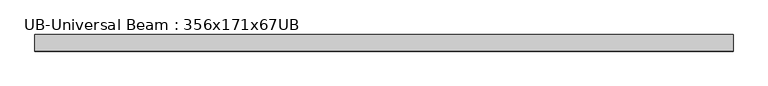
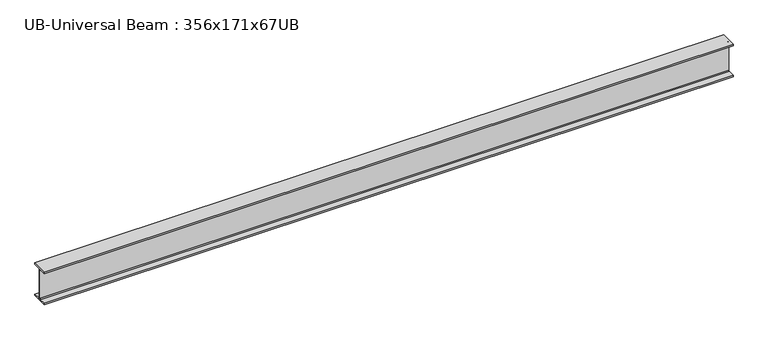
"""IFC4 building model written with IfcOpenShell, lengths in millimetres: beam geometry, UB-Universal Beam : 356x171x67UB."""

from ifc_helpers import new_model, si_unit, point, frame, frame_2d, origin, place, context, project, spatial, polyline, circle_curve, trimmed, segment, composite_curve, outline, extrude, source, transform, mapped, element, save


def ub_universal_beam_356x171x67ub_cea22087(model_context):
    return source(origin(), model_context, "Body", "SweptSolid", [
        extrude(outline(composite_curve([segment(polyline([(86.6, -166.0), (86.6, -181.7), (-86.6, -181.7), (-86.6, -166.0), (-14.75, -166.0)]), True, "CONTINUOUS"), segment(trimmed(circle_curve(frame_2d((-14.75, -155.8)), 10.2), [point((-14.75, -166.0))], [point((-4.55, -155.8))], True, "CARTESIAN"), True, "CONTINUOUS"), segment(polyline([(-4.55, -155.8), (-4.55, 155.8)]), True, "CONTINUOUS"), segment(trimmed(circle_curve(frame_2d((-14.75, 155.8)), 10.2), [point((-4.55, 155.8))], [point((-14.75, 166.0))], True, "CARTESIAN"), True, "CONTINUOUS"), segment(polyline([(-14.75, 166.0), (-86.6, 166.0), (-86.6, 181.7), (86.6, 181.7), (86.6, 166.0), (14.75, 166.0)]), True, "CONTINUOUS"), segment(trimmed(circle_curve(frame_2d((14.75, 155.8)), 10.2), [point((14.75, 166.0))], [point((4.55, 155.8))], True, "CARTESIAN"), True, "CONTINUOUS"), segment(polyline([(4.55, 155.8), (4.55, -155.8)]), True, "CONTINUOUS"), segment(trimmed(circle_curve(frame_2d((14.75, -155.8)), 10.2), [point((4.55, -155.8))], [point((14.75, -166.0))], True, "CARTESIAN"), True, "CONTINUOUS"), segment(polyline([(14.75, -166.0), (86.6, -166.0)]), True, "CONTINUOUS")], self_intersect=False)), frame((-3655.3, 0.0, 0.0), z_axis=(1.0, 0.0, 0.0), x_axis=(0.0, 1.0, 0.0)), (0.0, 0.0, 1.0), 7289.4696053),
    ])


if __name__ == "__main__":
    model = new_model("IFC4")
    model_context = context("Model", 3, world=origin())
    ifc_project = project(units=[si_unit("LENGTHUNIT", "METRE", prefix="MILLI")], contexts=[model_context])
    site = spatial("IfcSite", under=ifc_project)
    building = spatial("IfcBuilding", under=site)
    placement = place(None, origin())
    ub_universal_beam_356x171x67ub_shape = ub_universal_beam_356x171x67ub_cea22087(model_context)
    element("IfcBeam", 1, ObjectType="UB-Universal Beam : 356x171x67UB", at=placement, inside=building, context=model_context, shape_type="MappedRepresentation", body=[
        mapped(ub_universal_beam_356x171x67ub_shape, transform((0.0, 0.0, 0.0), x_axis=(1.0, 0.0, 0.0), y_axis=(0.0, 1.0, 0.0), z_axis=(0.0, 0.0, 1.0))),
    ])
    save(model, "model.ifc")
